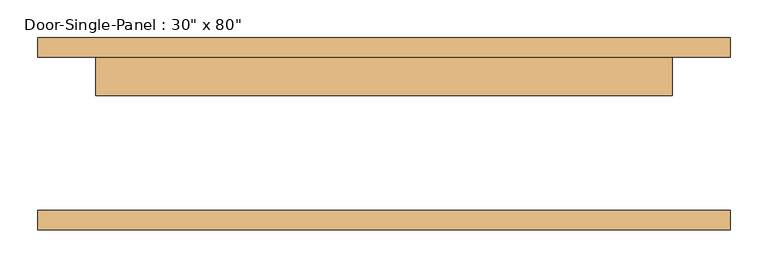
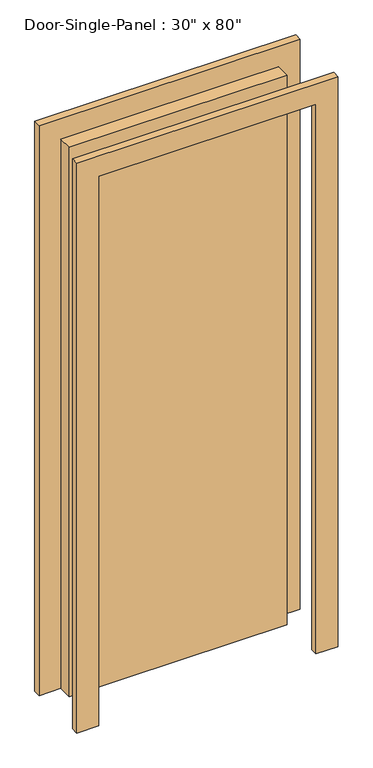
"""IFC4 building model written with IfcOpenShell, lengths in millimetres: door geometry."""

from ifc_helpers import new_model, si_unit, frame, origin, origin_with_axes, place, context, project, spatial, polyline, outline, extrude, source, transform, mapped, element, save


def door_1a782ffc(model_context):
    return source(origin(), model_context, "Body", "SweptSolid", [
        extrude(outline(polyline([(381.0, 50.8), (-381.0, 50.8), (-381.0, 101.6), (381.0, 101.6), (381.0, 50.8)])), origin_with_axes(), (0.0, 0.0, 1.0), 2032.0),
        extrude(outline(polyline([(2108.2, -457.2), (0.0, -457.2), (0.0, -381.0), (2032.0, -381.0), (2032.0, 381.0), (0.0, 381.0), (0.0, 457.2), (2108.2, 457.2), (2108.2, -457.2)])), frame((0.0, 101.6, 0.0), z_axis=(0.0, 1.0, 0.0), x_axis=(0.0, 0.0, 1.0)), (0.0, 0.0, 1.0), 25.4),
        extrude(outline(polyline([(2108.2, 457.2), (2108.2, -457.2), (0.0, -457.2), (0.0, -381.0), (2032.0, -381.0), (2032.0, 381.0), (0.0, 381.0), (0.0, 457.2), (2108.2, 457.2)])), frame((0.0, -127.0, 0.0), z_axis=(0.0, 1.0, 0.0), x_axis=(0.0, 0.0, 1.0)), (0.0, 0.0, 1.0), 25.4),
    ])


if __name__ == "__main__":
    model = new_model("IFC4")
    model_context = context("Model", 3, world=origin())
    ifc_project = project(units=[si_unit("LENGTHUNIT", "METRE", prefix="MILLI")], contexts=[model_context])
    site = spatial("IfcSite", under=ifc_project)
    building = spatial("IfcBuilding", under=site)
    placement = place(None, origin())
    door_shape = door_1a782ffc(model_context)
    element("IfcDoor", 1, ObjectType="Door-Single-Panel : 30\" x 80\"", at=placement, inside=building, context=model_context, shape_type="MappedRepresentation", body=[
        mapped(door_shape, transform((0.0, 0.0, 0.0), x_axis=(1.0, 0.0, 0.0), y_axis=(0.0, 1.0, 0.0), z_axis=(0.0, 0.0, 1.0))),
    ])
    save(model, "model.ifc")
